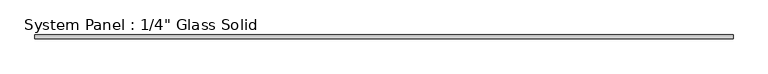
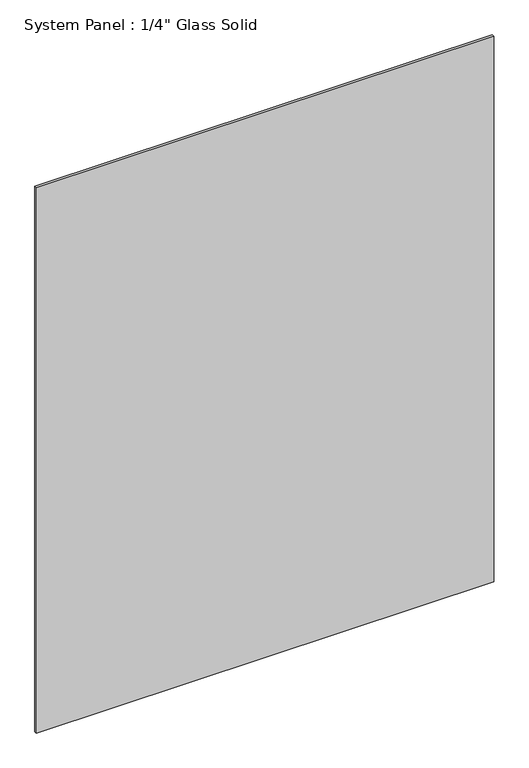
"""IFC4 building model written with IfcOpenShell, lengths in millimetres: plate geometry."""

from ifc_helpers import new_model, si_unit, origin, origin_with_axes, place, context, project, spatial, polyline, outline, extrude, source, transform, mapped, element, save


def plate_03137b9f(model_context):
    return source(origin(), model_context, "Body", "SweptSolid", [
        extrude(outline(polyline([(553.0305865, -3.175), (-553.0305865, -3.175), (-553.0305865, 3.175), (553.0305865, 3.175), (553.0305865, -3.175)])), origin_with_axes(), (0.0, 0.0, 1.0), 1394.5741382),
    ])


if __name__ == "__main__":
    model = new_model("IFC4")
    model_context = context("Model", 3, world=origin())
    ifc_project = project(units=[si_unit("LENGTHUNIT", "METRE", prefix="MILLI")], contexts=[model_context])
    site = spatial("IfcSite", under=ifc_project)
    building = spatial("IfcBuilding", under=site)
    placement = place(None, origin())
    plate_shape = plate_03137b9f(model_context)
    element("IfcPlate", 1, ObjectType="System Panel : 1/4\" Glass Solid", at=placement, inside=building, context=model_context, shape_type="MappedRepresentation", body=[
        mapped(plate_shape, transform((0.0, 0.0, 0.0), x_axis=(1.0, 0.0, 0.0), y_axis=(0.0, 1.0, 0.0), z_axis=(0.0, 0.0, 1.0))),
    ])
    save(model, "model.ifc")
